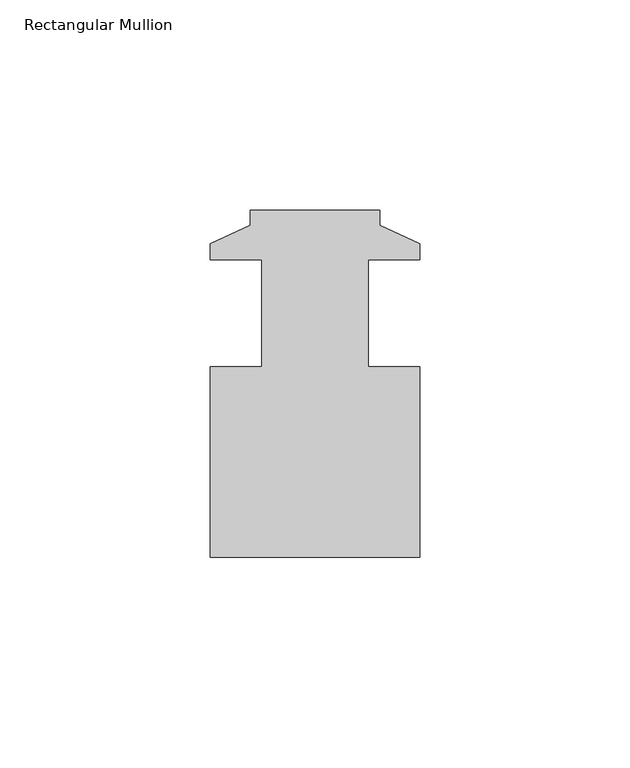
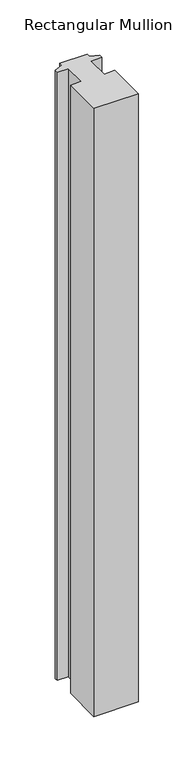
"""IFC4 building model written with IfcOpenShell, lengths in millimetres: member geometry, Rectangular Mullion."""

from ifc_helpers import new_model, si_unit, frame, origin, place, context, project, spatial, polyline, outline, extrude, source, transform, mapped, element, save


def rectangular_mullion_ecd13d32(model_context):
    return source(origin(), model_context, "Body", "SweptSolid", [
        extrude(outline(polyline([(16.2562535, 39.5431308), (16.2562535, 35.9363308), (25.7812535, 31.6183308), (25.7812535, 27.7067308), (13.5638535, 27.7067308), (13.5638535, 2.3067308), (25.7812535, 2.3067308), (25.7812535, -43.0068692), (-24.0535465, -43.0068692), (-24.0535465, 2.3067308), (-11.8361465, 2.3067308), (-11.8361465, 27.7067308), (-24.0535465, 27.7067308), (-24.0535465, 31.6183308), (-14.5285465, 35.9363308), (-14.5285465, 39.5431308), (16.2562535, 39.5431308)])), frame((0.0, 0.0, -722.5265662), z_axis=(0.0, 0.0, 1.0), x_axis=(1.0, 0.0, 0.0)), (0.0, 0.0, 1.0), 722.5265662),
    ])


if __name__ == "__main__":
    model = new_model("IFC4")
    model_context = context("Model", 3, world=origin())
    ifc_project = project(units=[si_unit("LENGTHUNIT", "METRE", prefix="MILLI")], contexts=[model_context])
    site = spatial("IfcSite", under=ifc_project)
    building = spatial("IfcBuilding", under=site)
    placement = place(None, origin())
    rectangular_mullion_shape = rectangular_mullion_ecd13d32(model_context)
    element("IfcMember", 1, ObjectType="Rectangular Mullion", at=placement, inside=building, context=model_context, shape_type="MappedRepresentation", body=[
        mapped(rectangular_mullion_shape, transform((0.0, 0.0, 0.0), x_axis=(1.0, 0.0, 0.0), y_axis=(0.0, 1.0, 0.0), z_axis=(0.0, 0.0, 1.0))),
    ])
    save(model, "model.ifc")
